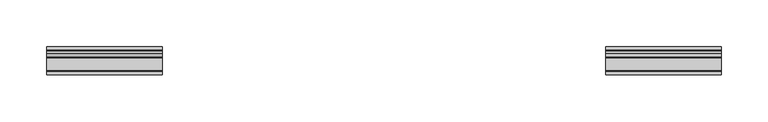
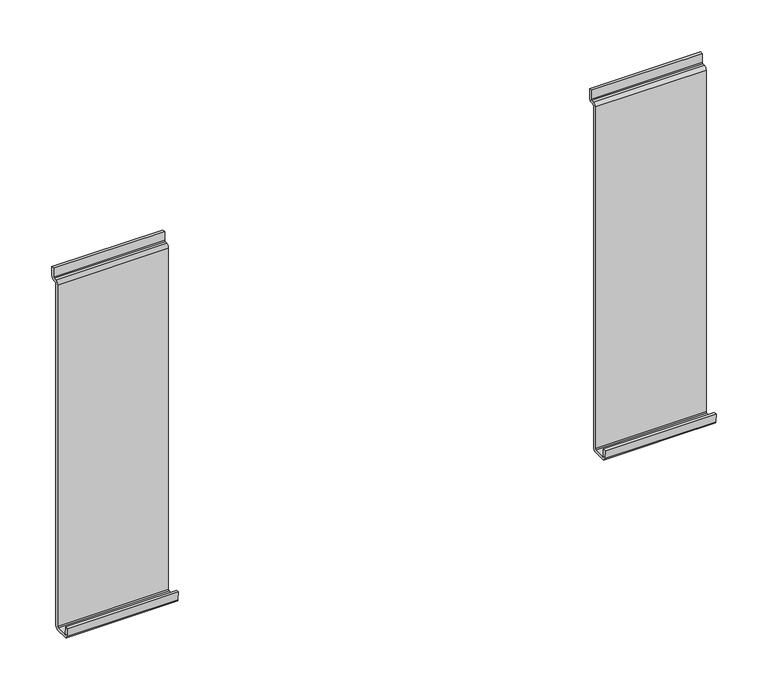
"""IFC4 building model written with IfcOpenShell, lengths in millimetres: furniture geometry."""

from ifc_helpers import new_model, si_unit, point, frame, frame_2d, origin, place, context, project, spatial, polyline, circle_curve, trimmed, segment, composite_curve, outline, extrude, source, transform, mapped, element, save


def furniture_46c987b0(model_context):
    return source(origin(), model_context, "Body", "SweptSolid", [
        extrude(outline(composite_curve([segment(polyline([(-17.1429464, 723.5290924), (-14.0969852, 723.5290924), (-14.0969852, 712.969207)]), True, "CONTINUOUS"), segment(trimmed(circle_curve(frame_2d((-17.8881861, 712.969207)), 3.7912008), [point((-14.0969852, 712.969207))], [point((-17.8881861, 709.1780062))], False, "CARTESIAN"), True, "CONTINUOUS"), segment(polyline([(-17.8881861, 709.1780062), (-20.9497867, 709.1780062)]), True, "CONTINUOUS"), segment(trimmed(circle_curve(frame_2d((-20.9497867, 708.4208071)), 0.7571991), [point((-20.9497867, 709.1780062))], [point((-21.7069858, 708.4208071))], True, "CARTESIAN"), True, "CONTINUOUS"), segment(polyline([(-21.7069858, 708.4208071), (-21.7069858, 307.0947573)]), True, "CONTINUOUS"), segment(trimmed(circle_curve(frame_2d((-25.388777, 307.0947573)), 3.6817911), [point((-21.7069858, 307.0947573))], [point((-25.388777, 303.4129662))], False, "CARTESIAN"), True, "CONTINUOUS"), segment(polyline([(-25.388777, 303.4129662), (-39.4413557, 303.4129662)]), True, "CONTINUOUS"), segment(trimmed(circle_curve(frame_2d((-39.4413557, 306.9741405)), 3.5611743), [point((-39.4413557, 303.4129662))], [point((-42.9889786, 306.6637637))], False, "CARTESIAN"), True, "CONTINUOUS"), segment(polyline([(-42.9889786, 306.6637637), (-43.812596, 316.0777532), (-40.7808834, 316.3429937), (-39.975016, 307.1318862)]), True, "CONTINUOUS"), segment(trimmed(circle_curve(frame_2d((-39.2317491, 307.1969137)), 0.746106), [point((-39.975016, 307.1318862))], [point((-39.2317491, 306.4508077))], True, "CARTESIAN"), True, "CONTINUOUS"), segment(polyline([(-39.2317491, 306.4508077), (-25.7530446, 306.4508077)]), True, "CONTINUOUS"), segment(trimmed(circle_curve(frame_2d((-25.7530446, 307.4592611)), 1.0084535), [point((-25.7530446, 306.4508077))], [point((-24.7445911, 307.4592611))], True, "CARTESIAN"), True, "CONTINUOUS"), segment(polyline([(-24.7445911, 307.4592611), (-24.7445911, 708.5848715)]), True, "CONTINUOUS"), segment(trimmed(circle_curve(frame_2d((-21.1135605, 708.5848715)), 3.6310307), [point((-24.7445911, 708.5848715))], [point((-21.1135605, 712.2159021))], False, "CARTESIAN"), True, "CONTINUOUS"), segment(polyline([(-21.1135605, 712.2159021), (-18.0567277, 712.2159021)]), True, "CONTINUOUS"), segment(trimmed(circle_curve(frame_2d((-18.0567277, 713.1296834)), 0.9137813), [point((-18.0567277, 712.2159021))], [point((-17.1429464, 713.1296834))], True, "CARTESIAN"), True, "CONTINUOUS"), segment(polyline([(-17.1429464, 713.1296834), (-17.1429464, 723.5290924)]), True, "CONTINUOUS")], self_intersect=False)), frame((401.9549571, 0.0, 0.0), z_axis=(1.0, 0.0, 0.0), x_axis=(0.0, 1.0, 0.0)), (0.0, 0.0, 1.0), 123.190155),
        extrude(outline(composite_curve([segment(polyline([(-17.1429464, 723.5290924), (-14.0969852, 723.5290924), (-14.0969852, 712.969207)]), True, "CONTINUOUS"), segment(trimmed(circle_curve(frame_2d((-17.8881861, 712.969207)), 3.7912008), [point((-14.0969852, 712.969207))], [point((-17.8881861, 709.1780062))], False, "CARTESIAN"), True, "CONTINUOUS"), segment(polyline([(-17.8881861, 709.1780062), (-20.9497867, 709.1780062)]), True, "CONTINUOUS"), segment(trimmed(circle_curve(frame_2d((-20.9497867, 708.4208071)), 0.7571991), [point((-20.9497867, 709.1780062))], [point((-21.7069858, 708.4208071))], True, "CARTESIAN"), True, "CONTINUOUS"), segment(polyline([(-21.7069858, 708.4208071), (-21.7069858, 307.0947573)]), True, "CONTINUOUS"), segment(trimmed(circle_curve(frame_2d((-25.388777, 307.0947573)), 3.6817911), [point((-21.7069858, 307.0947573))], [point((-25.388777, 303.4129662))], False, "CARTESIAN"), True, "CONTINUOUS"), segment(polyline([(-25.388777, 303.4129662), (-39.4413557, 303.4129662)]), True, "CONTINUOUS"), segment(trimmed(circle_curve(frame_2d((-39.4413557, 306.9741405)), 3.5611743), [point((-39.4413557, 303.4129662))], [point((-42.9889786, 306.6637637))], False, "CARTESIAN"), True, "CONTINUOUS"), segment(polyline([(-42.9889786, 306.6637637), (-43.812596, 316.0777532), (-40.7808834, 316.3429937), (-39.975016, 307.1318862)]), True, "CONTINUOUS"), segment(trimmed(circle_curve(frame_2d((-39.2317491, 307.1969137)), 0.746106), [point((-39.975016, 307.1318862))], [point((-39.2317491, 306.4508077))], True, "CARTESIAN"), True, "CONTINUOUS"), segment(polyline([(-39.2317491, 306.4508077), (-25.7530446, 306.4508077)]), True, "CONTINUOUS"), segment(trimmed(circle_curve(frame_2d((-25.7530446, 307.4592611)), 1.0084535), [point((-25.7530446, 306.4508077))], [point((-24.7445911, 307.4592611))], True, "CARTESIAN"), True, "CONTINUOUS"), segment(polyline([(-24.7445911, 307.4592611), (-24.7445911, 708.5848715)]), True, "CONTINUOUS"), segment(trimmed(circle_curve(frame_2d((-21.1135605, 708.5848715)), 3.6310307), [point((-24.7445911, 708.5848715))], [point((-21.1135605, 712.2159021))], False, "CARTESIAN"), True, "CONTINUOUS"), segment(polyline([(-21.1135605, 712.2159021), (-18.0567277, 712.2159021)]), True, "CONTINUOUS"), segment(trimmed(circle_curve(frame_2d((-18.0567277, 713.1296834)), 0.9137813), [point((-18.0567277, 712.2159021))], [point((-17.1429464, 713.1296834))], True, "CARTESIAN"), True, "CONTINUOUS"), segment(polyline([(-17.1429464, 713.1296834), (-17.1429464, 723.5290924)]), True, "CONTINUOUS")], self_intersect=False)), frame((998.8548879, 0.0, 0.0), z_axis=(1.0, 0.0, 0.0), x_axis=(0.0, 1.0, 0.0)), (0.0, 0.0, 1.0), 123.190155),
    ])


if __name__ == "__main__":
    model = new_model("IFC4")
    model_context = context("Model", 3, world=origin())
    ifc_project = project(units=[si_unit("LENGTHUNIT", "METRE", prefix="MILLI")], contexts=[model_context])
    site = spatial("IfcSite", under=ifc_project)
    building = spatial("IfcBuilding", under=site)
    placement = place(None, origin())
    furniture_shape = furniture_46c987b0(model_context)
    element("IfcFurniture", 1, at=placement, inside=building, context=model_context, shape_type="MappedRepresentation", body=[
        mapped(furniture_shape, transform((0.0, 0.0, 0.0), x_axis=(1.0, 0.0, 0.0), y_axis=(0.0, 1.0, 0.0), z_axis=(0.0, 0.0, 1.0))),
    ])
    save(model, "model.ifc")
